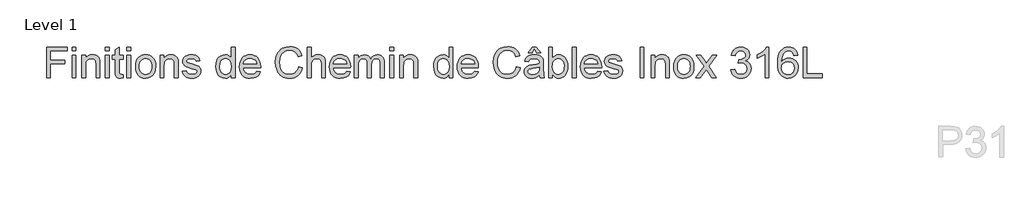
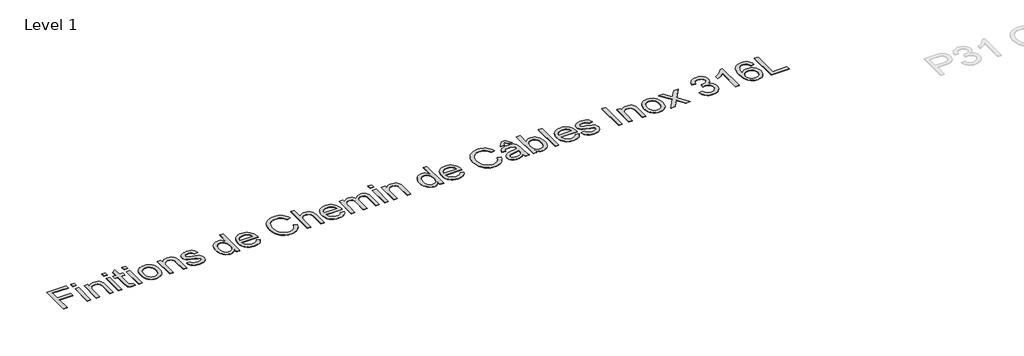
# One storey, part 11 of 12: 1 proxy.
"""IFC4 building model written with IfcOpenShell, lengths in millimetres."""

from ifc_helpers import new_model, si_unit, origin, origin_with_axes, place, context, project, spatial, polyline, outline, extrude, element, save

model = new_model("IFC4")

# Units and contexts
model_context = context("Model", 3, world=origin())
ifc_project = project(units=[si_unit("LENGTHUNIT", "METRE", prefix="MILLI")], contexts=[model_context])

# Site, building, storey
site = spatial("IfcSite", under=ifc_project)
building = spatial("IfcBuilding", under=site)
storey = spatial("IfcBuildingStorey", under=building, Name="Level 1", Elevation=0.0)

# Proxy
placement = place(None, origin())
element("IfcBuildingElementProxy", 1, Name="400mm", ObjectType="400mm", at=placement, inside=storey, context=model_context, shape_type="SweptSolid", body=[
    extrude(outline(polyline([(-15330.6689382, -39762.7003055), (-15330.6689382, -39360.8750649), (-15060.6926047, -39360.8750649), (-15060.6926047, -39411.10322), (-15280.4407831, -39411.10322), (-15280.4407831, -39530.3950883), (-15092.0852016, -39530.3950883), (-15092.0852016, -39580.6232433), (-15280.4407831, -39580.6232433), (-15280.4407831, -39762.7003055), (-15330.6689382, -39762.7003055)])), origin_with_axes(), (0.0, 0.0, 1.0), 5.0),
    extrude(outline(polyline([(-14997.9074108, -39411.10322), (-14997.9074108, -39360.8750649), (-14947.6792558, -39360.8750649), (-14947.6792558, -39411.10322), (-14997.9074108, -39411.10322)])), origin_with_axes(), (0.0, 0.0, 1.0), 5.0),
    extrude(outline(polyline([(-14997.9074108, -39762.7003055), (-14997.9074108, -39467.6098944), (-14947.6792558, -39467.6098944), (-14947.6792558, -39762.7003055), (-14997.9074108, -39762.7003055)])), origin_with_axes(), (0.0, 0.0, 1.0), 5.0),
    extrude(outline(polyline([(-14872.3370232, -39762.7003055), (-14872.3370232, -39467.6098944), (-14822.1088681, -39467.6098944), (-14822.1088681, -39508.8126779), (-14804.6589988, -39488.0396079), (-14783.7019878, -39473.2017008), (-14759.2378351, -39464.2989565), (-14731.2665407, -39461.331375), (-14706.5080825, -39463.722608), (-14683.8342888, -39470.8963069), (-14664.9251543, -39481.9572922), (-14651.4606733, -39496.0103845), (-14642.324937, -39513.0187954), (-14636.4020369, -39532.9457368), (-14633.7532866, -39581.5061601), (-14633.7532866, -39762.7003055), (-14683.9814416, -39762.7003055), (-14683.9814416, -39588.2751888), (-14685.4284441, -39562.30272), (-14689.7694517, -39543.8350438), (-14697.7770164, -39530.6035547), (-14710.2236906, -39520.3396471), (-14726.1775065, -39513.7545594), (-14744.7064963, -39511.5595301), (-14774.1247932, -39516.4891489), (-14799.2020825, -39531.2780051), (-14809.2238012, -39543.3506659), (-14816.3821717, -39559.8501734), (-14820.677194, -39580.7765275), (-14822.1088681, -39606.1297283), (-14822.1088681, -39762.7003055), (-14872.3370232, -39762.7003055)])), origin_with_axes(), (0.0, 0.0, 1.0), 5.0),
    extrude(outline(polyline([(-14564.6895733, -39762.7003055), (-14564.6895733, -39467.6098944), (-14514.4614182, -39467.6098944), (-14514.4614182, -39762.7003055), (-14564.6895733, -39762.7003055)])), origin_with_axes(), (0.0, 0.0, 1.0), 5.0),
    extrude(outline(polyline([(-14564.6895733, -39411.10322), (-14564.6895733, -39360.8750649), (-14514.4614182, -39360.8750649), (-14514.4614182, -39411.10322), (-14564.6895733, -39411.10322)])), origin_with_axes(), (0.0, 0.0, 1.0), 5.0),
    extrude(outline(polyline([(-14332.3843561, -39720.810809), (-14326.1058367, -39764.1718335), (-14363.6788512, -39768.9788249), (-14387.7873846, -39766.8941602), (-14405.7645514, -39760.6401663), (-14418.468743, -39751.001658), (-14426.7583506, -39738.7634503), (-14431.3200873, -39717.7451257), (-14432.8406663, -39681.7662666), (-14432.8406663, -39517.8380495), (-14470.5117826, -39517.8380495), (-14470.5117826, -39467.6098944), (-14432.8406663, -39467.6098944), (-14432.8406663, -39395.8974308), (-14382.6125112, -39366.3687694), (-14382.6125112, -39467.6098944), (-14332.3843561, -39467.6098944), (-14332.3843561, -39517.8380495), (-14382.6125112, -39517.8380495), (-14382.6125112, -39680.2947386), (-14379.9637608, -39706.193631), (-14371.3798476, -39715.3661554), (-14354.2610721, -39718.7506698), (-14332.3843561, -39720.810809)])), origin_with_axes(), (0.0, 0.0, 1.0), 5.0),
    extrude(outline(polyline([(-14282.156201, -39762.7003055), (-14282.156201, -39467.6098944), (-14231.928046, -39467.6098944), (-14231.928046, -39762.7003055), (-14282.156201, -39762.7003055)])), origin_with_axes(), (0.0, 0.0, 1.0), 5.0),
    extrude(outline(polyline([(-14282.156201, -39411.10322), (-14282.156201, -39360.8750649), (-14231.928046, -39360.8750649), (-14231.928046, -39411.10322), (-14282.156201, -39411.10322)])), origin_with_axes(), (0.0, 0.0, 1.0), 5.0),
    extrude(outline(polyline([(-14169.1428521, -39615.1551), (-14166.4266567, -39576.938292), (-14158.2780705, -39544.0067221), (-14144.6970935, -39516.3603902), (-14125.6837257, -39493.9992962), (-14106.5415993, -39479.7070807), (-14085.41291, -39469.4983553), (-14062.297658, -39463.3731201), (-14037.1958432, -39461.331375), (-14009.4851319, -39463.8176442), (-13984.4293023, -39471.2764516), (-13962.0283545, -39483.7077974), (-13942.2822884, -39501.1116815), (-13926.1659913, -39522.8994926), (-13914.6543506, -39548.4826197), (-13907.7473661, -39577.8610627), (-13905.445038, -39611.0348216), (-13909.5162654, -39661.7780115), (-13921.7299476, -39700.405621), (-13941.7304654, -39729.3334085), (-13969.1621995, -39750.9771326), (-14001.7442816, -39764.4784018), (-14037.1958432, -39768.9788249), (-14065.3112247, -39766.5017528), (-14090.6000461, -39759.0705365), (-14113.0623076, -39746.685176), (-14132.6980091, -39729.3456713), (-14148.6426279, -39707.346328), (-14160.0316414, -39680.9814516), (-14166.8650494, -39650.2510423), (-14169.1428521, -39615.1551)]), holes=[polyline([(-14118.914697, -39615.0569981), (-14117.4615632, -39639.4199832), (-14113.1021615, -39660.51495), (-14105.8364921, -39678.3418983), (-14095.6645549, -39692.9008283), (-14083.2914572, -39704.2101339), (-14069.4223059, -39712.2882094), (-14054.0571013, -39717.1350547), (-14037.1958432, -39718.7506698), (-14020.4204242, -39717.1258577), (-14005.1165332, -39712.2514212), (-13991.2841702, -39704.1273605), (-13978.9233351, -39692.7536755), (-13968.751398, -39678.0506584), (-13961.4857286, -39659.9386015), (-13957.1263269, -39638.4175048), (-13955.673193, -39613.4873683), (-13957.135524, -39589.8969353), (-13961.5225168, -39569.3537916), (-13968.8341714, -39551.857937), (-13979.0704879, -39537.4093716), (-13991.4773082, -39526.100066), (-14005.3004742, -39518.0219905), (-14020.5399858, -39513.1751452), (-14037.1958432, -39511.5595301), (-14054.0571013, -39513.1690138), (-14069.4223059, -39517.997465), (-14083.2914572, -39526.0448837), (-14095.6645549, -39537.3112698), (-14105.8364921, -39551.8272802), (-14113.1021615, -39569.6235717), (-14117.4615632, -39590.7001443), (-14118.914697, -39615.0569981)])]), origin_with_axes(), (0.0, 0.0, 1.0), 5.0),
    extrude(outline(polyline([(-13848.9383635, -39762.7003055), (-13848.9383635, -39467.6098944), (-13798.7102084, -39467.6098944), (-13798.7102084, -39508.8126779), (-13781.2603391, -39488.0396079), (-13760.3033281, -39473.2017008), (-13735.8391755, -39464.2989565), (-13707.8678811, -39461.331375), (-13683.1094228, -39463.722608), (-13660.4356292, -39470.8963069), (-13641.5264946, -39481.9572922), (-13628.0620136, -39496.0103845), (-13618.9262774, -39513.0187954), (-13613.0033773, -39532.9457368), (-13610.3546269, -39581.5061601), (-13610.3546269, -39762.7003055), (-13660.582782, -39762.7003055), (-13660.582782, -39588.2751888), (-13662.0297845, -39562.30272), (-13666.370792, -39543.8350438), (-13674.3783568, -39530.6035547), (-13686.825031, -39520.3396471), (-13702.7788468, -39513.7545594), (-13721.3078366, -39511.5595301), (-13750.7261335, -39516.4891489), (-13775.8034229, -39531.2780051), (-13785.8251416, -39543.3506659), (-13792.983512, -39559.8501734), (-13797.2785343, -39580.7765275), (-13798.7102084, -39606.1297283), (-13798.7102084, -39762.7003055), (-13848.9383635, -39762.7003055)])), origin_with_axes(), (0.0, 0.0, 1.0), 5.0),
    extrude(outline(polyline([(-13560.1264718, -39674.8010341), (-13509.8983168, -39668.5225147), (-13501.9765911, -39690.0068232), (-13486.6481747, -39705.8012236), (-13463.8149655, -39715.5133082), (-13433.3788618, -39718.7506698), (-13403.31064, -39715.7830884), (-13382.169688, -39706.8803441), (-13369.6617002, -39693.9799488), (-13365.4923709, -39679.0194143), (-13369.6862257, -39666.2171209), (-13382.2677899, -39656.4559853), (-13433.9674729, -39642.1331129), (-13509.6040112, -39617.5585957), (-13528.7461376, -39605.2100234), (-13542.6152889, -39588.8638), (-13551.0397865, -39569.562258), (-13553.8479524, -39548.3477296), (-13551.5916095, -39528.8867721), (-13544.8225808, -39510.921868), (-13534.154003, -39495.1642559), (-13520.1990126, -39482.3251742), (-13488.2668554, -39467.4627416), (-13467.3834208, -39462.8642167), (-13445.0529837, -39461.331375), (-13412.3605371, -39463.7961844), (-13383.9355216, -39471.1906125), (-13361.077787, -39482.7911581), (-13345.0871829, -39497.8743199), (-13334.4921815, -39517.5560066), (-13327.8212546, -39542.952127), (-13378.0494097, -39549.2306464), (-13384.3892427, -39533.4239834), (-13396.9340188, -39521.5168695), (-13415.8063651, -39514.048865), (-13441.1289091, -39511.5595301), (-13469.9708575, -39513.9385004), (-13489.1988232, -39521.0754111), (-13500.0145538, -39531.3761069), (-13503.6197974, -39543.2464326), (-13497.6355836, -39557.8636106), (-13478.8981273, -39568.9491214), (-13435.6352047, -39579.6422247), (-13361.9116528, -39603.2847743), (-13342.4384325, -39614.5910142), (-13327.6741018, -39630.0665835), (-13318.3666873, -39649.760533), (-13315.2642158, -39673.7219136), (-13318.9062476, -39698.4926346), (-13329.8323428, -39721.7918276), (-13347.6255687, -39741.7923454), (-13371.8689922, -39756.6670408), (-13401.152399, -39765.9008789), (-13434.0655748, -39768.9788249), (-13461.0987701, -39767.4950342), (-13484.7106628, -39763.043662), (-13504.901253, -39755.6247085), (-13521.6705406, -39745.2381735), (-13535.3680136, -39731.933108), (-13546.3431597, -39715.7585629), (-13554.5959792, -39696.7145383), (-13560.1264718, -39674.8010341)])), origin_with_axes(), (0.0, 0.0, 1.0), 5.0),
    extrude(outline(polyline([(-12919.7174946, -39762.7003055), (-12919.7174946, -39715.3171045), (-12934.7454741, -39738.7941072), (-12952.9495015, -39755.5633948), (-12974.3295768, -39765.6249674), (-12998.8857, -39768.9788249), (-13031.3574174, -39764.1227825), (-13061.0822826, -39749.5546555), (-13086.2454111, -39726.2922507), (-13105.0319183, -39695.3533749), (-13116.7305658, -39657.9888269), (-13120.6301149, -39615.4494056), (-13117.0371341, -39573.4372817), (-13106.2581916, -39535.4963853), (-13088.3055503, -39503.7849573), (-13063.1914727, -39480.4612388), (-13032.8166827, -39466.113841), (-12999.0819037, -39461.331375), (-12974.5073864, -39464.7526776), (-12952.7778233, -39475.0165853), (-12934.359198, -39490.7496719), (-12919.7174946, -39510.5785115), (-12919.7174946, -39360.8750649), (-12869.4893395, -39360.8750649), (-12869.4893395, -39762.7003055), (-12919.7174946, -39762.7003055)]), holes=[polyline([(-13070.4019598, -39615.2532018), (-13068.9856142, -39639.6100556), (-13064.7365771, -39660.6866282), (-13057.6548487, -39678.4829197), (-13047.7404289, -39692.9989301), (-13023.0432843, -39712.3127349), (-13009.1680017, -39717.1411861), (-12994.2749123, -39718.7506698), (-12979.3113122, -39717.2147625), (-12965.518803, -39712.6070405), (-12941.4470578, -39694.1761525), (-12931.9403739, -39680.2671474), (-12925.1498854, -39663.1146494), (-12919.7174946, -39619.0791746), (-12925.2479873, -39570.9356841), (-12932.1611031, -39552.400563), (-12941.8394653, -39537.5565244), (-12953.5411784, -39526.1828394), (-12966.5243471, -39518.0587787), (-12980.7889715, -39513.1843423), (-12996.3350515, -39511.5595301), (-13011.5224465, -39513.1199629), (-13025.3977291, -39517.8012613), (-13037.9608992, -39525.6034253), (-13049.2119569, -39536.5264549), (-13058.4825832, -39550.8094733), (-13065.1044591, -39568.691604), (-13070.4019598, -39615.2532018)])]), origin_with_axes(), (0.0, 0.0, 1.0), 5.0),
    extrude(outline(polyline([(-12587.5445784, -39674.8010341), (-12538.297442, -39681.0795535), (-12545.84822, -39700.8041598), (-12556.0416169, -39718.1865841), (-12568.8776329, -39733.2268263), (-12584.3562678, -39745.9248865), (-12602.3181062, -39756.0109845), (-12622.6037326, -39763.2153403), (-12670.1463491, -39768.9788249), (-12701.3120855, -39766.4925557), (-12729.0810447, -39759.0337483), (-12753.4532269, -39746.6024025), (-12774.428632, -39729.1985185), (-12791.2960215, -39707.3064741), (-12803.3441568, -39681.4106473), (-12810.573038, -39651.5110381), (-12812.9826651, -39617.6076466), (-12810.5485126, -39582.5546238), (-12803.2460549, -39551.6586676), (-12791.0752923, -39524.9197779), (-12774.0362245, -39502.3379548), (-12753.1160017, -39484.3975761), (-12729.3017739, -39471.58302), (-12702.5935411, -39463.8942863), (-12672.9913032, -39461.331375), (-12644.3424928, -39463.8881549), (-12618.4344033, -39471.5584945), (-12595.2670347, -39484.3423938), (-12574.8403869, -39502.2398529), (-12558.1661354, -39524.7726251), (-12546.2559559, -39551.4624639), (-12539.1098481, -39582.3093692), (-12536.7278122, -39617.313341), (-12537.0221178, -39630.8513984), (-12762.75451, -39630.8513984), (-12759.8451766, -39650.8948358), (-12754.0602322, -39668.4489383), (-12745.3996769, -39683.513706), (-12733.8635107, -39696.0891389), (-12720.0893956, -39706.0035587), (-12704.7149939, -39713.0852871), (-12669.1653304, -39718.7506698), (-12642.4325721, -39716.1264449), (-12619.918194, -39708.2537702), (-12601.6221961, -39694.6421364), (-12587.5445784, -39674.8010341)]), holes=[polyline([(-12762.75451, -39580.6232433), (-12586.9559673, -39580.6232433), (-12593.7495214, -39554.0866888), (-12607.0668497, -39535.1039778), (-12620.7643226, -39524.8032819), (-12636.3502565, -39517.445642), (-12653.8246512, -39513.0310581), (-12673.1875069, -39511.5595301), (-12707.0449132, -39516.2561569), (-12735.040733, -39530.3460373), (-12754.5016906, -39552.3085925), (-12762.75451, -39580.6232433)])]), origin_with_axes(), (0.0, 0.0, 1.0), 5.0),
    extrude(outline(polyline([(-12040.7247808, -39619.8639895), (-11990.4966257, -39632.8134357), (-12000.435571, -39664.0496828), (-12013.6731914, -39691.3434612), (-12030.2094871, -39714.6947708), (-12050.044458, -39734.1036117), (-12072.7305144, -39749.3615175), (-12097.8200665, -39760.2600216), (-12125.3131142, -39766.7991241), (-12155.2096577, -39768.9788249), (-12185.8388995, -39767.3294873), (-12213.469903, -39762.3814744), (-12238.1026683, -39754.1347864), (-12259.7371953, -39742.5894231), (-12278.6708553, -39727.9170629), (-12295.2010196, -39710.2893839), (-12309.3276882, -39689.7063863), (-12321.0508611, -39666.16807), (-12336.8329987, -39614.2967086), (-12342.0937113, -39558.7465274), (-12336.1462857, -39500.1551883), (-12328.7120037, -39473.857757), (-12318.3040089, -39449.5591512), (-12305.1552933, -39427.6609754), (-12289.4988487, -39408.5648342), (-12271.3346752, -39392.2707275), (-12250.6627727, -39378.7786553), (-12228.1851828, -39368.1989823), (-12204.6039469, -39360.642073), (-12154.1305372, -39354.5965455), (-12125.4020191, -39356.5524515), (-12099.0586025, -39362.4201693), (-12075.1002876, -39372.199699), (-12053.5270742, -39385.8910406), (-12034.6945818, -39403.1324434), (-12018.9584294, -39423.5621569), (-12006.3186172, -39447.180181), (-11996.7751451, -39473.9865157), (-12047.0033002, -39485.9549433), (-12064.4163813, -39449.3261593), (-12088.2060837, -39424.199819), (-12118.6667129, -39409.6684802), (-12156.0925745, -39404.8247006), (-12199.2328698, -39410.1957777), (-12217.9151438, -39416.9096241), (-12234.6721687, -39426.3090091), (-12261.5643425, -39451.4721376), (-12279.0632628, -39483.9929059), (-12288.6649828, -39520.75658), (-12291.8655562, -39558.6484255), (-12288.0763716, -39605.0506078), (-12276.708818, -39645.1742708), (-12257.3336996, -39677.4865727), (-12229.5218207, -39700.4546719), (-12196.1794492, -39714.1766703), (-12160.2128528, -39718.7506698), (-12138.3759908, -39717.1933027), (-12118.2865681, -39712.5212014), (-12099.944585, -39704.7343658), (-12083.3500413, -39693.832796), (-12068.8953446, -39679.8655429), (-12056.9729023, -39662.8816575), (-12047.5827143, -39642.8811397), (-12040.7247808, -39619.8639895)])), origin_with_axes(), (0.0, 0.0, 1.0), 5.0),
    extrude(outline(polyline([(-11927.7114319, -39762.7003055), (-11927.7114319, -39360.8750649), (-11877.4832768, -39360.8750649), (-11877.4832768, -39508.6164742), (-11859.0339948, -39487.9292433), (-11838.3161071, -39473.1526498), (-11815.3296137, -39464.2866937), (-11790.0745148, -39461.331375), (-11759.7365129, -39464.5564739), (-11733.6659422, -39474.2317703), (-11713.1381268, -39489.596975), (-11699.4283912, -39509.8917984), (-11691.7028693, -39537.7772536), (-11689.1276953, -39575.9143538), (-11689.1276953, -39762.7003055), (-11739.3558504, -39762.7003055), (-11739.3558504, -39581.1137527), (-11743.3535014, -39549.6721048), (-11755.3464544, -39528.1387454), (-11774.6725219, -39515.7043339), (-11800.6695162, -39511.5595301), (-11821.8963073, -39514.3554333), (-11841.8232488, -39522.7431428), (-11858.3288876, -39535.9133182), (-11869.2917711, -39553.0566192), (-11875.4354004, -39575.8407774), (-11877.4832768, -39605.9335246), (-11877.4832768, -39762.7003055), (-11927.7114319, -39762.7003055)])), origin_with_axes(), (0.0, 0.0, 1.0), 5.0),
    extrude(outline(polyline([(-11413.4614536, -39674.8010341), (-11364.2143171, -39681.0795535), (-11371.7650951, -39700.8041598), (-11381.9584921, -39718.1865841), (-11394.794508, -39733.2268263), (-11410.2731429, -39745.9248865), (-11428.2349814, -39756.0109845), (-11448.5206077, -39763.2153403), (-11496.0632242, -39768.9788249), (-11527.2289606, -39766.4925557), (-11554.9979198, -39759.0337483), (-11579.370102, -39746.6024025), (-11600.3455071, -39729.1985185), (-11617.2128966, -39707.3064741), (-11629.2610319, -39681.4106473), (-11636.4899131, -39651.5110381), (-11638.8995402, -39617.6076466), (-11636.4653877, -39582.5546238), (-11629.1629301, -39551.6586676), (-11616.9921674, -39524.9197779), (-11599.9530997, -39502.3379548), (-11579.0328769, -39484.3975761), (-11555.218649, -39471.58302), (-11528.5104162, -39463.8942863), (-11498.9081783, -39461.331375), (-11470.2593679, -39463.8881549), (-11444.3512784, -39471.5584945), (-11421.1839098, -39484.3423938), (-11400.757262, -39502.2398529), (-11384.0830106, -39524.7726251), (-11372.172831, -39551.4624639), (-11365.0267232, -39582.3093692), (-11362.6446873, -39617.313341), (-11362.9389929, -39630.8513984), (-11588.6713851, -39630.8513984), (-11585.7620517, -39650.8948358), (-11579.9771073, -39668.4489383), (-11571.316552, -39683.513706), (-11559.7803858, -39696.0891389), (-11546.0062707, -39706.0035587), (-11530.631869, -39713.0852871), (-11495.0822056, -39718.7506698), (-11468.3494473, -39716.1264449), (-11445.8350691, -39708.2537702), (-11427.5390713, -39694.6421364), (-11413.4614536, -39674.8010341)]), holes=[polyline([(-11588.6713851, -39580.6232433), (-11412.8728424, -39580.6232433), (-11419.6663966, -39554.0866888), (-11432.9837248, -39535.1039778), (-11446.6811977, -39524.8032819), (-11462.2671316, -39517.445642), (-11479.7415264, -39513.0310581), (-11499.104382, -39511.5595301), (-11532.9617883, -39516.2561569), (-11560.9576082, -39530.3460373), (-11580.4185657, -39552.3085925), (-11588.6713851, -39580.6232433)])]), origin_with_axes(), (0.0, 0.0, 1.0), 5.0),
    extrude(outline(polyline([(-11312.4165322, -39762.7003055), (-11312.4165322, -39467.6098944), (-11262.1883772, -39467.6098944), (-11262.1883772, -39516.1703178), (-11247.0806899, -39493.8644062), (-11227.6565205, -39476.3900114), (-11204.5780567, -39465.0960341), (-11178.507486, -39461.331375), (-11150.5729798, -39465.1696105), (-11128.181229, -39476.684317), (-11111.454861, -39495.1152049), (-11100.516503, -39519.7019849), (-11082.2082424, -39494.1648431), (-11061.3248078, -39475.9240275), (-11037.8661992, -39464.9795382), (-11011.8324167, -39461.331375), (-10991.7246, -39462.8488883), (-10974.0754613, -39467.401428), (-10958.8850005, -39474.9889941), (-10946.1532178, -39485.6115867), (-10936.0885796, -39499.3918331), (-10928.8995523, -39516.4523607), (-10924.5861359, -39536.7931693), (-10923.1483304, -39560.4142591), (-10923.1483304, -39762.7003055), (-10973.3764855, -39762.7003055), (-10973.3764855, -39581.9966695), (-10974.5414451, -39556.9439056), (-10978.0363241, -39540.058122), (-10984.5846236, -39528.4943646), (-10994.9098449, -39519.4076794), (-11008.190385, -39513.5215674), (-11023.6046405, -39511.5595301), (-11050.8156455, -39516.5872507), (-11072.9989298, -39531.6704125), (-11081.6043028, -39543.2403013), (-11087.7509978, -39557.8390851), (-11092.6683538, -39596.1233381), (-11092.6683538, -39762.7003055), (-11142.8965089, -39762.7003055), (-11142.8965089, -39576.4048631), (-11145.8027766, -39548.0043731), (-11154.5215799, -39527.7463379), (-11169.8622591, -39515.6062321), (-11192.6341546, -39511.5595301), (-11211.9847475, -39514.2573314), (-11229.8147616, -39522.3507353), (-11244.5300414, -39535.6435381), (-11254.5364317, -39553.939536), (-11260.2753908, -39579.3233936), (-11262.1883772, -39613.8797757), (-11262.1883772, -39762.7003055), (-11312.4165322, -39762.7003055)])), origin_with_axes(), (0.0, 0.0, 1.0), 5.0),
    extrude(outline(polyline([(-10847.8060978, -39411.10322), (-10847.8060978, -39360.8750649), (-10797.5779427, -39360.8750649), (-10797.5779427, -39411.10322), (-10847.8060978, -39411.10322)])), origin_with_axes(), (0.0, 0.0, 1.0), 5.0),
    extrude(outline(polyline([(-10847.8060978, -39762.7003055), (-10847.8060978, -39467.6098944), (-10797.5779427, -39467.6098944), (-10797.5779427, -39762.7003055), (-10847.8060978, -39762.7003055)])), origin_with_axes(), (0.0, 0.0, 1.0), 5.0),
    extrude(outline(polyline([(-10722.2357101, -39762.7003055), (-10722.2357101, -39467.6098944), (-10672.007555, -39467.6098944), (-10672.007555, -39508.8126779), (-10654.5576857, -39488.0396079), (-10633.6006747, -39473.2017008), (-10609.136522, -39464.2989565), (-10581.1652277, -39461.331375), (-10556.4067694, -39463.722608), (-10533.7329758, -39470.8963069), (-10514.8238412, -39481.9572922), (-10501.3593602, -39496.0103845), (-10492.223624, -39513.0187954), (-10486.3007239, -39532.9457368), (-10483.6519735, -39581.5061601), (-10483.6519735, -39762.7003055), (-10533.8801286, -39762.7003055), (-10533.8801286, -39588.2751888), (-10535.3271311, -39562.30272), (-10539.6681386, -39543.8350438), (-10547.6757034, -39530.6035547), (-10560.1223776, -39520.3396471), (-10576.0761934, -39513.7545594), (-10594.6051832, -39511.5595301), (-10624.0234801, -39516.4891489), (-10649.1007695, -39531.2780051), (-10659.1224881, -39543.3506659), (-10666.2808586, -39559.8501734), (-10670.5758809, -39580.7765275), (-10672.007555, -39606.1297283), (-10672.007555, -39762.7003055), (-10722.2357101, -39762.7003055)])), origin_with_axes(), (0.0, 0.0, 1.0), 5.0),
    extrude(outline(polyline([(-10075.5482135, -39762.7003055), (-10075.5482135, -39715.3171045), (-10090.576193, -39738.7941072), (-10108.7802204, -39755.5633948), (-10130.1602957, -39765.6249674), (-10154.7164189, -39768.9788249), (-10187.1881363, -39764.1227825), (-10216.9130015, -39749.5546555), (-10242.07613, -39726.2922507), (-10260.8626372, -39695.3533749), (-10272.5612847, -39657.9888269), (-10276.4608338, -39615.4494056), (-10272.867853, -39573.4372817), (-10262.0889105, -39535.4963853), (-10244.1362692, -39503.7849573), (-10219.0221916, -39480.4612388), (-10188.6474016, -39466.113841), (-10154.9126226, -39461.331375), (-10130.3381053, -39464.7526776), (-10108.6085421, -39475.0165853), (-10090.1899169, -39490.7496719), (-10075.5482135, -39510.5785115), (-10075.5482135, -39360.8750649), (-10025.3200584, -39360.8750649), (-10025.3200584, -39762.7003055), (-10075.5482135, -39762.7003055)]), holes=[polyline([(-10226.2326787, -39615.2532018), (-10224.8163331, -39639.6100556), (-10220.567296, -39660.6866282), (-10213.4855676, -39678.4829197), (-10203.5711478, -39692.9989301), (-10178.8740032, -39712.3127349), (-10164.9987206, -39717.1411861), (-10150.1056312, -39718.7506698), (-10135.142031, -39717.2147625), (-10121.3495219, -39712.6070405), (-10097.2777767, -39694.1761525), (-10087.7710928, -39680.2671474), (-10080.9806043, -39663.1146494), (-10075.5482135, -39619.0791746), (-10081.0787062, -39570.9356841), (-10087.991822, -39552.400563), (-10097.6701842, -39537.5565244), (-10109.3718973, -39526.1828394), (-10122.355066, -39518.0587787), (-10136.6196904, -39513.1843423), (-10152.1657704, -39511.5595301), (-10167.3531654, -39513.1199629), (-10181.228448, -39517.8012613), (-10193.7916181, -39525.6034253), (-10205.0426758, -39536.5264549), (-10214.3133021, -39550.8094733), (-10220.935178, -39568.691604), (-10226.2326787, -39615.2532018)])]), origin_with_axes(), (0.0, 0.0, 1.0), 5.0),
    extrude(outline(polyline([(-9743.3752973, -39674.8010341), (-9694.1281609, -39681.0795535), (-9701.6789389, -39700.8041598), (-9711.8723358, -39718.1865841), (-9724.7083518, -39733.2268263), (-9740.1869867, -39745.9248865), (-9758.1488251, -39756.0109845), (-9778.4344515, -39763.2153403), (-9825.977068, -39768.9788249), (-9857.1428043, -39766.4925557), (-9884.9117636, -39759.0337483), (-9909.2839458, -39746.6024025), (-9930.2593509, -39729.1985185), (-9947.1267404, -39707.3064741), (-9959.1748757, -39681.4106473), (-9966.4037569, -39651.5110381), (-9968.813384, -39617.6076466), (-9966.3792314, -39582.5546238), (-9959.0767738, -39551.6586676), (-9946.9060112, -39524.9197779), (-9929.8669434, -39502.3379548), (-9908.9467206, -39484.3975761), (-9885.1324928, -39471.58302), (-9858.42426, -39463.8942863), (-9828.8220221, -39461.331375), (-9800.1732117, -39463.8881549), (-9774.2651222, -39471.5584945), (-9751.0977535, -39484.3423938), (-9730.6711058, -39502.2398529), (-9713.9968543, -39524.7726251), (-9702.0866747, -39551.4624639), (-9694.940567, -39582.3093692), (-9692.5585311, -39617.313341), (-9692.8528367, -39630.8513984), (-9918.5852289, -39630.8513984), (-9915.6758955, -39650.8948358), (-9909.8909511, -39668.4489383), (-9901.2303958, -39683.513706), (-9889.6942295, -39696.0891389), (-9875.9201145, -39706.0035587), (-9860.5457128, -39713.0852871), (-9824.9960493, -39718.7506698), (-9798.263291, -39716.1264449), (-9775.7489129, -39708.2537702), (-9757.452915, -39694.6421364), (-9743.3752973, -39674.8010341)]), holes=[polyline([(-9918.5852289, -39580.6232433), (-9742.7866861, -39580.6232433), (-9749.5802403, -39554.0866888), (-9762.8975685, -39535.1039778), (-9776.5950415, -39524.8032819), (-9792.1809754, -39517.445642), (-9809.6553701, -39513.0310581), (-9829.0182258, -39511.5595301), (-9862.8756321, -39516.2561569), (-9890.8714519, -39530.3460373), (-9910.3324095, -39552.3085925), (-9918.5852289, -39580.6232433)])]), origin_with_axes(), (0.0, 0.0, 1.0), 5.0),
    extrude(outline(polyline([(-9196.5554997, -39619.8639895), (-9146.3273446, -39632.8134357), (-9156.2662899, -39664.0496828), (-9169.5039103, -39691.3434612), (-9186.040206, -39714.6947708), (-9205.8751769, -39734.1036117), (-9228.5612333, -39749.3615175), (-9253.6507854, -39760.2600216), (-9281.1438331, -39766.7991241), (-9311.0403766, -39768.9788249), (-9341.6696184, -39767.3294873), (-9369.3006219, -39762.3814744), (-9393.9333872, -39754.1347864), (-9415.5679142, -39742.5894231), (-9434.5015742, -39727.9170629), (-9451.0317385, -39710.2893839), (-9465.1584071, -39689.7063863), (-9476.88158, -39666.16807), (-9492.6637176, -39614.2967086), (-9497.9244302, -39558.7465274), (-9491.9770046, -39500.1551883), (-9484.5427226, -39473.857757), (-9474.1347278, -39449.5591512), (-9460.9860122, -39427.6609754), (-9445.3295676, -39408.5648342), (-9427.1653941, -39392.2707275), (-9406.4934916, -39378.7786553), (-9384.0159017, -39368.1989823), (-9360.4346658, -39360.642073), (-9309.9612561, -39354.5965455), (-9281.2327379, -39356.5524515), (-9254.8893214, -39362.4201693), (-9230.9310065, -39372.199699), (-9209.3577931, -39385.8910406), (-9190.5253007, -39403.1324434), (-9174.7891483, -39423.5621569), (-9162.1493361, -39447.180181), (-9152.605864, -39473.9865157), (-9202.8340191, -39485.9549433), (-9220.2471002, -39449.3261593), (-9244.0368025, -39424.199819), (-9274.4974317, -39409.6684802), (-9311.9232934, -39404.8247006), (-9355.0635887, -39410.1957777), (-9373.7458627, -39416.9096241), (-9390.5028876, -39426.3090091), (-9417.3950614, -39451.4721376), (-9434.8939816, -39483.9929059), (-9444.4957017, -39520.75658), (-9447.6962751, -39558.6484255), (-9443.9070905, -39605.0506078), (-9432.5395369, -39645.1742708), (-9413.1644185, -39677.4865727), (-9385.3525396, -39700.4546719), (-9352.0101681, -39714.1766703), (-9316.0435717, -39718.7506698), (-9294.2067096, -39717.1933027), (-9274.117287, -39712.5212014), (-9255.7753039, -39704.7343658), (-9239.1807602, -39693.832796), (-9224.7260635, -39679.8655429), (-9212.8036212, -39662.8816575), (-9203.4134332, -39642.8811397), (-9196.5554997, -39619.8639895)])), origin_with_axes(), (0.0, 0.0, 1.0), 5.0),
    extrude(outline(polyline([(-8895.1865693, -39725.0291892), (-8919.1847381, -39745.6060555), (-8943.8941454, -39759.0705365), (-8969.878877, -39766.5017528), (-8997.7030186, -39768.9788249), (-9020.0671782, -39767.4889028), (-9039.6783542, -39763.0191366), (-9056.5365467, -39755.5695262), (-9070.6417555, -39745.1400716), (-9081.7793829, -39732.3929605), (-9089.734831, -39717.9903803), (-9094.5080999, -39701.9323313), (-9096.0991896, -39684.2188132), (-9093.6956939, -39663.3966923), (-9086.4852067, -39644.4875577), (-9075.3629078, -39628.3007499), (-9061.2239764, -39615.6456093), (-9044.607973, -39606.0806774), (-9026.0544577, -39599.1644959), (-8982.5953313, -39591.6106523), (-8931.2390048, -39583.6644012), (-8895.4808749, -39574.344724), (-8895.1865693, -39563.1611113), (-8898.64466, -39540.7448351), (-8909.0189323, -39526.0786062), (-8932.2200234, -39515.1892991), (-8964.5445881, -39511.5595301), (-8994.465657, -39513.9752886), (-9015.3613543, -39521.2225639), (-9029.6106503, -39534.6257312), (-9039.5925151, -39555.5091658), (-9089.8206702, -39549.2306464), (-9081.1018669, -39521.7621241), (-9068.091107, -39500.1797137), (-9049.5743799, -39483.6740749), (-9024.337675, -39471.4358672), (-8993.4723756, -39463.8574981), (-8958.069865, -39461.331375), (-8924.1143568, -39463.5631925), (-8897.1976575, -39470.2586448), (-8876.9028341, -39480.3263487), (-8862.8129537, -39492.674921), (-8853.468751, -39507.9420238), (-8847.4109608, -39526.7653193), (-8844.9584142, -39570.7149549), (-8844.9584142, -39633.2058432), (-8842.4077657, -39720.4674524), (-8832.4013754, -39762.7003055), (-8882.6295305, -39762.7003055), (-8890.6738834, -39745.2381735), (-8895.1865693, -39725.0291892)]), holes=[polyline([(-8895.1865693, -39624.572879), (-8928.9336109, -39632.9360631), (-8976.2187101, -39639.9748719), (-9019.4325818, -39648.1173267), (-9030.6775081, -39653.6846076), (-9039.0039039, -39661.3610786), (-9044.1542518, -39670.5581284), (-9045.8710345, -39680.687146), (-9042.1309009, -39695.623155), (-9030.9105, -39707.8613627), (-9012.4550866, -39716.028343), (-8987.0099153, -39718.7506698), (-8960.0319023, -39715.7463002), (-8936.193149, -39706.7331913), (-8916.8670815, -39693.4526513), (-8903.4271259, -39677.6459882), (-8897.4674376, -39661.3610786), (-8895.4808749, -39638.7976495), (-8895.1865693, -39624.572879)])]), origin_with_axes(), (0.0, 0.0, 1.0), 5.0),
    extrude(outline(polyline([(-8964.2502825, -39385.9891424), (-8992.5036197, -39436.2172975), (-9042.7317748, -39436.2172975), (-8989.36436, -39360.8750649), (-8939.1362049, -39360.8750649), (-8879.4902708, -39436.2172975), (-8929.7184259, -39436.2172975), (-8964.2502825, -39385.9891424)])), origin_with_axes(), (0.0, 0.0, 1.0), 5.0),
    extrude(outline(polyline([(-8725.6665459, -39762.7003055), (-8775.894701, -39762.7003055), (-8775.894701, -39360.8750649), (-8725.6665459, -39360.8750649), (-8725.6665459, -39509.8917984), (-8709.1486443, -39488.6466132), (-8690.4970271, -39473.4714809), (-8669.7116944, -39464.3664015), (-8646.7926461, -39461.331375), (-8620.9182791, -39464.0659645), (-8596.4663892, -39472.269733), (-8574.8349279, -39485.4276457), (-8557.4218467, -39503.0246678), (-8543.7734247, -39524.8891211), (-8533.4359407, -39550.8493272), (-8526.9244293, -39579.8261657), (-8524.7539256, -39610.740516), (-8527.0010714, -39646.4128068), (-8533.742509, -39677.793141), (-8544.9782383, -39704.8815186), (-8560.7082592, -39727.6779396), (-8579.5898026, -39745.7470769), (-8600.2800992, -39758.6536035), (-8622.7791489, -39766.3975195), (-8647.0869517, -39768.9788249), (-8670.7601581, -39765.6494928), (-8691.7478259, -39755.6614967), (-8710.0499552, -39739.0148364), (-8725.6665459, -39715.709512), (-8725.6665459, -39762.7003055)]), holes=[polyline([(-8725.6665459, -39613.0949608), (-8722.2329806, -39654.9844573), (-8711.9322847, -39683.3358964), (-8699.761522, -39698.8298598), (-8685.6164593, -39709.8969765), (-8669.4970966, -39716.5372465), (-8651.4034338, -39718.7506698), (-8636.3815856, -39717.1197263), (-8622.4143326, -39712.2268958), (-8609.5016745, -39704.0721782), (-8597.6436116, -39692.6555736), (-8587.7291918, -39678.0077388), (-8580.6474634, -39660.1593307), (-8576.3984263, -39639.1103492), (-8574.9820807, -39614.8607944), (-8580.4144714, -39568.9000704), (-8587.2049599, -39551.1068446), (-8596.7116438, -39536.7717095), (-8608.1435768, -39525.741381), (-8620.7098127, -39517.862575), (-8634.4103513, -39513.1352913), (-8649.2451927, -39511.5595301), (-8664.2670409, -39513.1904736), (-8678.234294, -39518.0833042), (-8691.146952, -39526.2380217), (-8703.005015, -39537.6546263), (-8712.9194347, -39552.1553083), (-8720.0011632, -39569.562258), (-8724.2502002, -39589.8754755), (-8725.6665459, -39613.0949608)])]), origin_with_axes(), (0.0, 0.0, 1.0), 5.0),
    extrude(outline(polyline([(-8468.2472511, -39762.7003055), (-8468.2472511, -39360.8750649), (-8418.019096, -39360.8750649), (-8418.019096, -39762.7003055), (-8468.2472511, -39762.7003055)])), origin_with_axes(), (0.0, 0.0, 1.0), 5.0),
    extrude(outline(polyline([(-8136.0743349, -39674.8010341), (-8086.8271985, -39681.0795535), (-8094.3779765, -39700.8041598), (-8104.5713734, -39718.1865841), (-8117.4073894, -39733.2268263), (-8132.8860243, -39745.9248865), (-8150.8478627, -39756.0109845), (-8171.1334891, -39763.2153403), (-8218.6761056, -39768.9788249), (-8249.8418419, -39766.4925557), (-8277.6108012, -39759.0337483), (-8301.9829834, -39746.6024025), (-8322.9583885, -39729.1985185), (-8339.825778, -39707.3064741), (-8351.8739133, -39681.4106473), (-8359.1027945, -39651.5110381), (-8361.5124216, -39617.6076466), (-8359.078269, -39582.5546238), (-8351.7758114, -39551.6586676), (-8339.6050488, -39524.9197779), (-8322.565981, -39502.3379548), (-8301.6457582, -39484.3975761), (-8277.8315304, -39471.58302), (-8251.1232976, -39463.8942863), (-8221.5210597, -39461.331375), (-8192.8722493, -39463.8881549), (-8166.9641598, -39471.5584945), (-8143.7967912, -39484.3423938), (-8123.3701434, -39502.2398529), (-8106.6958919, -39524.7726251), (-8094.7857123, -39551.4624639), (-8087.6396046, -39582.3093692), (-8085.2575687, -39617.313341), (-8085.5518743, -39630.8513984), (-8311.2842665, -39630.8513984), (-8308.3749331, -39650.8948358), (-8302.5899887, -39668.4489383), (-8293.9294334, -39683.513706), (-8282.3932672, -39696.0891389), (-8268.6191521, -39706.0035587), (-8253.2447504, -39713.0852871), (-8217.6950869, -39718.7506698), (-8190.9623286, -39716.1264449), (-8168.4479505, -39708.2537702), (-8150.1519526, -39694.6421364), (-8136.0743349, -39674.8010341)]), holes=[polyline([(-8311.2842665, -39580.6232433), (-8135.4857237, -39580.6232433), (-8142.2792779, -39554.0866888), (-8155.5966062, -39535.1039778), (-8169.2940791, -39524.8032819), (-8184.880013, -39517.445642), (-8202.3544077, -39513.0310581), (-8221.7172634, -39511.5595301), (-8255.5746697, -39516.2561569), (-8283.5704895, -39530.3460373), (-8303.0314471, -39552.3085925), (-8311.2842665, -39580.6232433)])]), origin_with_axes(), (0.0, 0.0, 1.0), 5.0),
    extrude(outline(polyline([(-8053.8649718, -39674.8010341), (-8003.6368167, -39668.5225147), (-7995.715091, -39690.0068232), (-7980.3866746, -39705.8012236), (-7957.5534654, -39715.5133082), (-7927.1173617, -39718.7506698), (-7897.0491399, -39715.7830884), (-7875.908188, -39706.8803441), (-7863.4002001, -39693.9799488), (-7859.2308708, -39679.0194143), (-7863.4247256, -39666.2171209), (-7876.0062898, -39656.4559853), (-7927.7059729, -39642.1331129), (-8003.3425111, -39617.5585957), (-8022.4846376, -39605.2100234), (-8036.3537888, -39588.8638), (-8044.7782865, -39569.562258), (-8047.5864524, -39548.3477296), (-8045.3301095, -39528.8867721), (-8038.5610808, -39510.921868), (-8027.8925029, -39495.1642559), (-8013.9375125, -39482.3251742), (-7982.0053554, -39467.4627416), (-7961.1219208, -39462.8642167), (-7938.7914837, -39461.331375), (-7906.099037, -39463.7961844), (-7877.6740215, -39471.1906125), (-7854.8162869, -39482.7911581), (-7838.8256828, -39497.8743199), (-7828.2306814, -39517.5560066), (-7821.5597545, -39542.952127), (-7871.7879096, -39549.2306464), (-7878.1277427, -39533.4239834), (-7890.6725187, -39521.5168695), (-7909.544865, -39514.048865), (-7934.867409, -39511.5595301), (-7963.7093575, -39513.9385004), (-7982.9373231, -39521.0754111), (-7993.7530537, -39531.3761069), (-7997.3582973, -39543.2464326), (-7991.3740835, -39557.8636106), (-7972.6366272, -39568.9491214), (-7929.3737046, -39579.6422247), (-7855.6501527, -39603.2847743), (-7836.1769325, -39614.5910142), (-7821.4126017, -39630.0665835), (-7812.1051873, -39649.760533), (-7809.0027158, -39673.7219136), (-7812.6447475, -39698.4926346), (-7823.5708428, -39721.7918276), (-7841.3640686, -39741.7923454), (-7865.6074921, -39756.6670408), (-7894.8908989, -39765.9008789), (-7927.8040747, -39768.9788249), (-7954.83727, -39767.4950342), (-7978.4491627, -39763.043662), (-7998.6397529, -39755.6247085), (-8015.4090405, -39745.2381735), (-8029.1065135, -39731.933108), (-8040.0816597, -39715.7585629), (-8048.3344791, -39696.7145383), (-8053.8649718, -39674.8010341)])), origin_with_axes(), (0.0, 0.0, 1.0), 5.0),
    extrude(outline(polyline([(-7582.9760179, -39762.7003055), (-7582.9760179, -39360.8750649), (-7532.7478628, -39360.8750649), (-7532.7478628, -39762.7003055), (-7582.9760179, -39762.7003055)])), origin_with_axes(), (0.0, 0.0, 1.0), 5.0),
    extrude(outline(polyline([(-7438.5700721, -39762.7003055), (-7438.5700721, -39467.6098944), (-7388.341917, -39467.6098944), (-7388.341917, -39508.8126779), (-7370.8920477, -39488.0396079), (-7349.9350367, -39473.2017008), (-7325.470884, -39464.2989565), (-7297.4995897, -39461.331375), (-7272.7411314, -39463.722608), (-7250.0673378, -39470.8963069), (-7231.1582032, -39481.9572922), (-7217.6937222, -39496.0103845), (-7208.557986, -39513.0187954), (-7202.6350858, -39532.9457368), (-7199.9863355, -39581.5061601), (-7199.9863355, -39762.7003055), (-7250.2144906, -39762.7003055), (-7250.2144906, -39588.2751888), (-7251.6614931, -39562.30272), (-7256.0025006, -39543.8350438), (-7264.0100654, -39530.6035547), (-7276.4567395, -39520.3396471), (-7292.4105554, -39513.7545594), (-7310.9395452, -39511.5595301), (-7340.3578421, -39516.4891489), (-7365.4351314, -39531.2780051), (-7375.4568501, -39543.3506659), (-7382.6152206, -39559.8501734), (-7386.9102429, -39580.7765275), (-7388.341917, -39606.1297283), (-7388.341917, -39762.7003055), (-7438.5700721, -39762.7003055)])), origin_with_axes(), (0.0, 0.0, 1.0), 5.0),
    extrude(outline(polyline([(-7143.479661, -39615.1551), (-7140.7634656, -39576.938292), (-7132.6148794, -39544.0067221), (-7119.0339024, -39516.3603902), (-7100.0205347, -39493.9992962), (-7080.8784082, -39479.7070807), (-7059.7497189, -39469.4983553), (-7036.6344669, -39463.3731201), (-7011.5326521, -39461.331375), (-6983.8219408, -39463.8176442), (-6958.7661112, -39471.2764516), (-6936.3651634, -39483.7077974), (-6916.6190973, -39501.1116815), (-6900.5028003, -39522.8994926), (-6888.9911595, -39548.4826197), (-6882.084175, -39577.8610627), (-6879.7818469, -39611.0348216), (-6883.8530743, -39661.7780115), (-6896.0667565, -39700.405621), (-6916.0672743, -39729.3334085), (-6943.4990084, -39750.9771326), (-6976.0810905, -39764.4784018), (-7011.5326521, -39768.9788249), (-7039.6480336, -39766.5017528), (-7064.936855, -39759.0705365), (-7087.3991165, -39746.685176), (-7107.034818, -39729.3456713), (-7122.9794368, -39707.346328), (-7134.3684503, -39680.9814516), (-7141.2018583, -39650.2510423), (-7143.479661, -39615.1551)]), holes=[polyline([(-7093.2515059, -39615.0569981), (-7091.7983721, -39639.4199832), (-7087.4389704, -39660.51495), (-7080.173301, -39678.3418983), (-7070.0013639, -39692.9008283), (-7057.6282661, -39704.2101339), (-7043.7591149, -39712.2882094), (-7028.3939102, -39717.1350547), (-7011.5326521, -39718.7506698), (-6994.7572331, -39717.1258577), (-6979.4533421, -39712.2514212), (-6965.6209791, -39704.1273605), (-6953.260144, -39692.7536755), (-6943.0882069, -39678.0506584), (-6935.8225375, -39659.9386015), (-6931.4631358, -39638.4175048), (-6930.010002, -39613.4873683), (-6931.4723329, -39589.8969353), (-6935.8593257, -39569.3537916), (-6943.1709803, -39551.857937), (-6953.4072968, -39537.4093716), (-6965.8141171, -39526.100066), (-6979.6372831, -39518.0219905), (-6994.8767948, -39513.1751452), (-7011.5326521, -39511.5595301), (-7028.3939102, -39513.1690138), (-7043.7591149, -39517.997465), (-7057.6282661, -39526.0448837), (-7070.0013639, -39537.3112698), (-7080.173301, -39551.8272802), (-7087.4389704, -39569.6235717), (-7091.7983721, -39590.7001443), (-7093.2515059, -39615.0569981)])]), origin_with_axes(), (0.0, 0.0, 1.0), 5.0),
    extrude(outline(polyline([(-6854.6677693, -39762.7003055), (-6747.3443286, -39614.370285), (-6848.38925, -39467.6098944), (-6787.9585009, -39467.6098944), (-6739.2018738, -39538.2432375), (-6716.442241, -39571.5978717), (-6696.7237661, -39544.3255532), (-6641.1981103, -39467.6098944), (-6580.7673612, -39467.6098944), (-6686.9135795, -39614.370285), (-6584.6914358, -39762.7003055), (-6645.1221849, -39762.7003055), (-6706.6320545, -39673.5257099), (-6717.913769, -39657.2408002), (-6794.2370203, -39762.7003055), (-6854.6677693, -39762.7003055)])), origin_with_axes(), (0.0, 0.0, 1.0), 5.0),
    extrude(outline(polyline([(-6396.3358543, -39655.965476), (-6346.1076992, -39649.6869566), (-6334.8627729, -39681.2512318), (-6318.3939222, -39702.563862), (-6295.8918069, -39714.7039679), (-6266.5470864, -39718.7506698), (-6232.1133316, -39713.1833889), (-6217.8395102, -39706.2242879), (-6205.5277261, -39696.4815464), (-6188.5315779, -39671.5636726), (-6182.8661952, -39641.348298), (-6188.482527, -39612.6657651), (-6205.3315224, -39589.4033603), (-6230.8380074, -39573.9891047), (-6262.426808, -39568.8510195), (-6297.6453777, -39574.344724), (-6292.0535714, -39524.1165689), (-6284.0092184, -39524.7051801), (-6253.9164712, -39521.0999365), (-6227.0120346, -39510.2842059), (-6215.9387866, -39502.1049628), (-6208.0293237, -39491.988208), (-6203.2836459, -39479.9339413), (-6201.7017534, -39465.9421627), (-6206.2880156, -39444.2493877), (-6220.0468022, -39426.6523656), (-6241.0406014, -39414.9905064), (-6267.3319013, -39411.10322), (-6293.6722522, -39415.0272946), (-6315.2056116, -39426.7995184), (-6330.9264355, -39446.4198915), (-6339.8291798, -39473.8884138), (-6390.0573349, -39467.6098944), (-6384.1037779, -39443.6301197), (-6375.2684787, -39422.5075618), (-6363.5514371, -39404.2422208), (-6348.9526533, -39388.8340965), (-6331.9319797, -39376.6020202), (-6312.9492687, -39367.8648228), (-6292.0045205, -39362.6225044), (-6269.0977349, -39360.8750649), (-6237.521197, -39364.3208929), (-6208.519833, -39374.658377), (-6184.0679431, -39390.9678121), (-6166.1398272, -39412.3294933), (-6155.1401555, -39436.9407988), (-6151.4735983, -39462.9991068), (-6154.9562145, -39487.2793184), (-6165.4040632, -39509.3031872), (-6182.6699915, -39528.065169), (-6206.6068466, -39542.5597196), (-6175.1651988, -39555.2639111), (-6151.8660058, -39576.8953725), (-6137.4450315, -39606.2768811), (-6132.6380401, -39642.2312148), (-6135.0415358, -39667.7131743), (-6142.2520229, -39691.1840456), (-6154.2695015, -39712.6438287), (-6171.0939714, -39732.0925235), (-6191.5911299, -39748.2302804), (-6214.6266741, -39759.7572495), (-6240.2006042, -39766.673431), (-6268.31292, -39768.9788249), (-6293.7213031, -39767.0106562), (-6316.8733433, -39761.1061502), (-6337.7690407, -39751.2653068), (-6356.4083951, -39737.4881261), (-6372.0372485, -39720.5839484), (-6383.9014428, -39701.3621142), (-6392.0009781, -39679.8226233), (-6396.3358543, -39655.965476)])), origin_with_axes(), (0.0, 0.0, 1.0), 5.0),
    extrude(outline(polyline([(-5900.3328229, -39762.7003055), (-5950.560978, -39762.7003055), (-5950.560978, -39449.5591512), (-5971.5302517, -39466.5185112), (-5998.1403827, -39483.4533457), (-6051.0172881, -39508.8126779), (-6051.0172881, -39461.331375), (-6011.5680755, -39439.871592), (-5977.3918382, -39414.3405815), (-5950.4506134, -39387.1908903), (-5932.7064385, -39360.8750649), (-5900.3328229, -39360.8750649), (-5900.3328229, -39762.7003055)])), origin_with_axes(), (0.0, 0.0, 1.0), 5.0),
    extrude(outline(polyline([(-5523.6216599, -39467.6098944), (-5573.8498149, -39473.8884138), (-5581.9432188, -39448.9950655), (-5592.8815768, -39431.9989173), (-5615.6657351, -39416.3271443), (-5643.2078338, -39411.10322), (-5666.5560777, -39414.1443778), (-5688.5308956, -39423.2678513), (-5707.4032419, -39442.4835542), (-5722.8174975, -39468.9342696), (-5733.228558, -39506.3478685), (-5737.0913189, -39558.4522218), (-5716.9436483, -39534.9445623), (-5692.7983267, -39518.3776098), (-5666.0042547, -39508.5551605), (-5637.910333, -39505.2810107), (-5613.7772741, -39507.5189595), (-5591.5081507, -39514.232806), (-5571.1029627, -39525.42255), (-5552.5617101, -39541.0881916), (-5537.1535859, -39560.2977631), (-5526.1477829, -39582.1192968), (-5519.5443011, -39606.5527926), (-5517.3431405, -39633.5982507), (-5521.4879443, -39669.564847), (-5533.9223557, -39702.9072185), (-5553.6163052, -39731.1850812), (-5579.5397231, -39751.9581512), (-5610.5153871, -39764.7236565), (-5645.3660748, -39768.9788249), (-5675.3086035, -39766.1583962), (-5702.3509958, -39757.6971104), (-5726.4932518, -39743.5949672), (-5747.7353713, -39723.8519668), (-5765.0534162, -39697.6342433), (-5777.4234483, -39664.1079308), (-5784.8454676, -39623.2730293), (-5787.319474, -39575.1295389), (-5784.5726218, -39521.1551188), (-5776.3320651, -39475.0901617), (-5762.5978039, -39436.9346674), (-5743.3698383, -39406.688636), (-5722.5293233, -39386.6451987), (-5698.3656076, -39372.3284577), (-5670.8786912, -39363.7384131), (-5640.0685741, -39360.8750649), (-5616.9349279, -39362.6470298), (-5595.996311, -39367.9629247), (-5577.2527234, -39376.8227494), (-5560.704165, -39389.226504), (-5546.7982256, -39404.7572556), (-5535.9824949, -39422.9980711), (-5528.256973, -39443.9489508), (-5523.6216599, -39467.6098944)]), holes=[polyline([(-5737.0913189, -39632.8134357), (-5734.1850512, -39655.0702964), (-5725.4662479, -39676.321613), (-5711.9281905, -39694.5930855), (-5694.5641603, -39707.9104137), (-5673.6071493, -39716.0406058), (-5649.2901494, -39718.7506698), (-5616.1439816, -39713.134338), (-5602.2288452, -39706.1139233), (-5590.0856737, -39696.2853426), (-5580.2356332, -39684.0471349), (-5573.1998901, -39669.797839), (-5567.5712955, -39635.2659824), (-5573.1263137, -39602.1198146), (-5580.0700863, -39588.4989837), (-5589.7913681, -39576.8463215), (-5601.9713278, -39567.5113159), (-5616.2911344, -39560.8434547), (-5651.3502886, -39555.5091658), (-5684.4474054, -39560.8434547), (-5712.1243942, -39576.8463215), (-5723.0474238, -39588.3456996), (-5730.8495877, -39601.5066779), (-5735.5308861, -39616.3292567), (-5737.0913189, -39632.8134357)])]), origin_with_axes(), (0.0, 0.0, 1.0), 5.0),
    extrude(outline(polyline([(-5454.5579466, -39762.7003055), (-5454.5579466, -39360.8750649), (-5404.3297916, -39360.8750649), (-5404.3297916, -39712.4721504), (-5203.4171713, -39712.4721504), (-5203.4171713, -39762.7003055), (-5454.5579466, -39762.7003055)])), origin_with_axes(), (0.0, 0.0, 1.0), 5.0),
])

save(model, "model.ifc")
